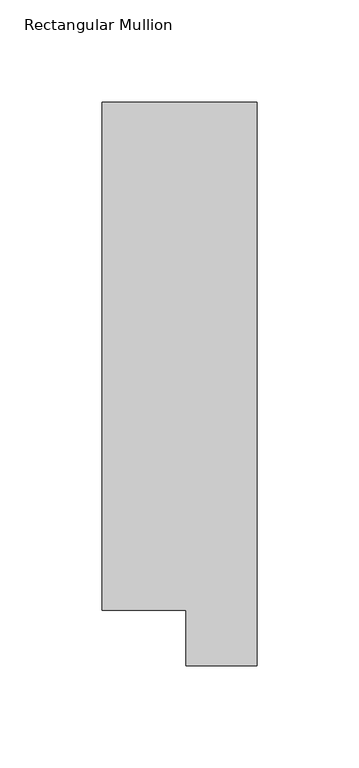
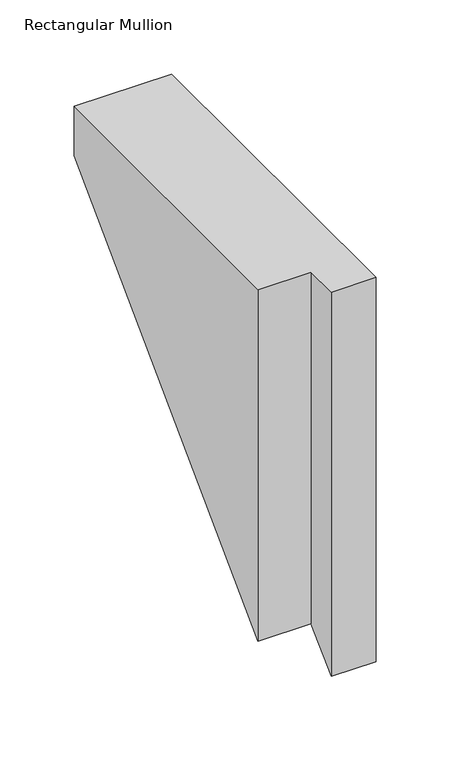
"""IFC4 building model written with IfcOpenShell, lengths in millimetres: member geometry, Rectangular Mullion."""

from ifc_helpers import new_model, si_unit, origin, place, context, project, spatial, faceted_brep, source, transform, mapped, element, save


def rectangular_mullion_844a21d7(model_context):
    return source(origin(), model_context, "Body", "Brep", [
        faceted_brep([(-3.3e-06, 295.9695326, 0.0), (-76.2000033, 295.9695317, 0.0), (-76.2000003, 46.7447306, 0.0), (-34.9123003, 46.7447311, 0.0), (-34.9123, 19.5667322, 0.0), (0.0, 19.5667326, 0.0), (-3.3e-06, 295.9695326, -40.5487174), (-76.2000033, 295.9695317, -40.5487183), (-76.2000003, 46.7447306, -289.7735194), (-34.9123003, 46.7447311, -289.7735189), (-34.9123, 19.5667322, -316.9515178), (0.0, 19.5667326, -316.9515174)], [[[0, 1, 2, 3, 4, 5]], [[1, 0, 6, 7]], [[2, 1, 7, 8]], [[3, 2, 8, 9]], [[4, 3, 9, 10]], [[5, 4, 10, 11]], [[0, 5, 11, 6]], [[6, 11, 10, 9, 8, 7]]]),
    ])


if __name__ == "__main__":
    model = new_model("IFC4")
    model_context = context("Model", 3, world=origin())
    ifc_project = project(units=[si_unit("LENGTHUNIT", "METRE", prefix="MILLI")], contexts=[model_context])
    site = spatial("IfcSite", under=ifc_project)
    building = spatial("IfcBuilding", under=site)
    placement = place(None, origin())
    rectangular_mullion_shape = rectangular_mullion_844a21d7(model_context)
    element("IfcMember", 1, ObjectType="Rectangular Mullion", at=placement, inside=building, context=model_context, shape_type="MappedRepresentation", body=[
        mapped(rectangular_mullion_shape, transform((0.0, 0.0, 0.0), x_axis=(1.0, 0.0, 0.0), y_axis=(0.0, 1.0, 0.0), z_axis=(0.0, 0.0, 1.0))),
    ])
    save(model, "model.ifc")
